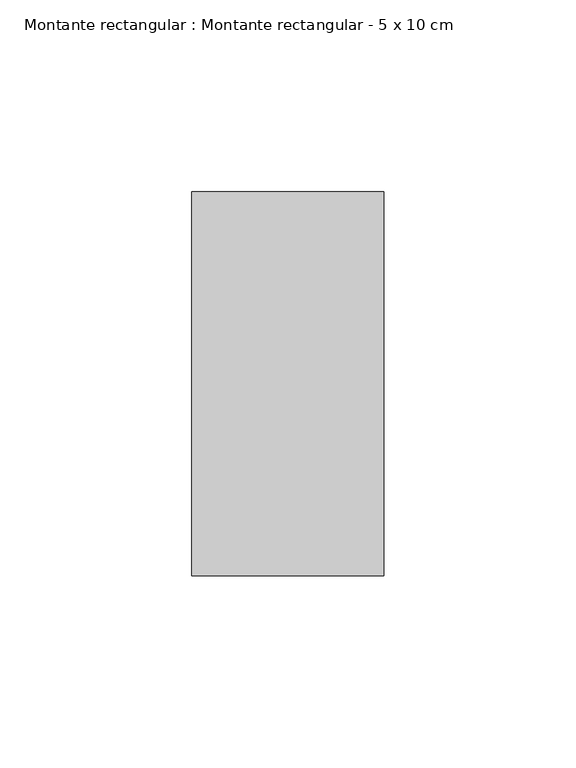
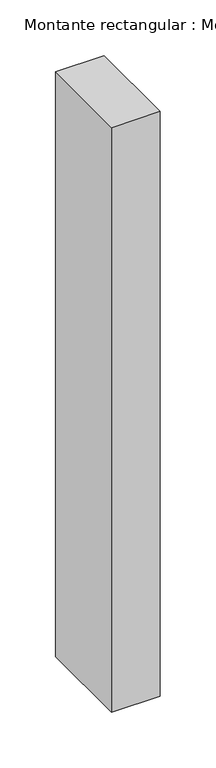
"""IFC4 building model written with IfcOpenShell, lengths in millimetres: member geometry, Montante rectangular : Montante rectangular - 5 x 10 cm."""

from ifc_helpers import new_model, si_unit, frame, origin, place, context, project, spatial, polyline, outline, extrude, source, transform, mapped, element, save


def montante_rectangular_montante_rectangular_5_x_10_cm_b2d42667(model_context):
    return source(origin(), model_context, "Body", "SweptSolid", [
        extrude(outline(polyline([(-50.0, 50.0), (0.0, 50.0), (0.0, -50.0), (-50.0, -50.0), (-50.0, 50.0)])), frame((0.0, 0.0, -638.0), z_axis=(0.0, 0.0, 1.0), x_axis=(1.0, 0.0, 0.0)), (0.0, 0.0, 1.0), 638.0),
    ])


if __name__ == "__main__":
    model = new_model("IFC4")
    model_context = context("Model", 3, world=origin())
    ifc_project = project(units=[si_unit("LENGTHUNIT", "METRE", prefix="MILLI")], contexts=[model_context])
    site = spatial("IfcSite", under=ifc_project)
    building = spatial("IfcBuilding", under=site)
    placement = place(None, origin())
    montante_rectangular_montante_rectangular_5_x_10_cm_shape = montante_rectangular_montante_rectangular_5_x_10_cm_b2d42667(model_context)
    element("IfcMember", 1, ObjectType="Montante rectangular : Montante rectangular - 5 x 10 cm", at=placement, inside=building, context=model_context, shape_type="MappedRepresentation", body=[
        mapped(montante_rectangular_montante_rectangular_5_x_10_cm_shape, transform((0.0, 0.0, 0.0), x_axis=(1.0, 0.0, 0.0), y_axis=(0.0, 1.0, 0.0), z_axis=(0.0, 0.0, 1.0))),
    ])
    save(model, "model.ifc")
